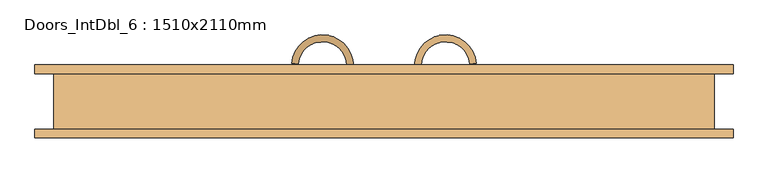
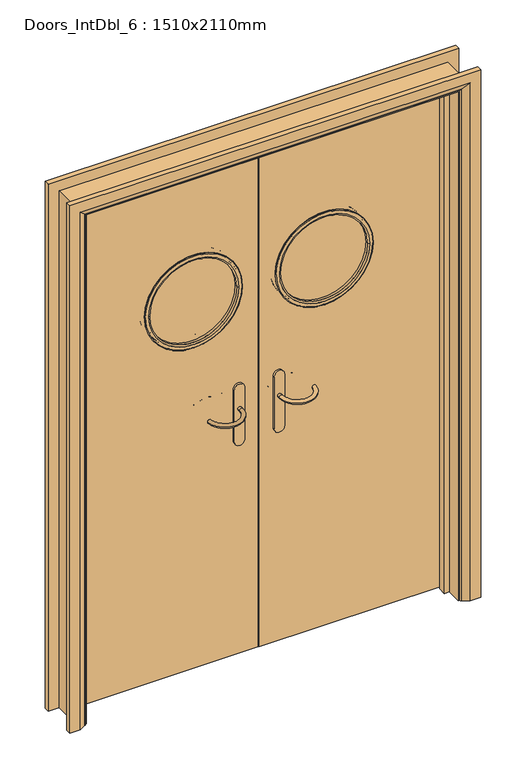
"""IFC4 building model written with IfcOpenShell, lengths in millimetres: door geometry, Doors_IntDbl_6 : 1510x2110mm."""

from ifc_helpers import new_model, si_unit, point, frame, frame_2d, origin, place, context, project, spatial, polyline, circle_curve, ellipse_curve, trimmed, segment, composite_curve, outline, extrude, faceted_brep, source, transform, mapped, element, save
from ifc_brep_helpers import plane_surface, cylinder_surface, revolved_surface, advanced_brep


def doors_intdbl_6_1510x2110mm_a2c7d4a2(model_context):
    return source(origin(), model_context, "Body", "SolidModel", [
        advanced_brep(
        [(69.0, 22.5, 1007.0), (84.0, 22.5, 1007.0), (84.0, 12.5, 1007.0), (69.0, 12.5, 1007.0), (208.9013318, 6.3917759, 1007.0), (193.9584114, 7.6991121, 1007.0)],
        [
            (0, 1, circle_curve(frame((76.5, 22.5, 1007.0), z_axis=(0.0, 1.0, 0.0), x_axis=(1.0, 0.0, 0.0)), 7.5)),
            (1, 0, circle_curve(frame((76.5, 22.5, 1007.0), z_axis=(0.0, 1.0, 0.0), x_axis=(1.0, 0.0, 0.0)), 7.5)),
            (1, 2),
            (2, 3, circle_curve(frame((76.5, 12.5, 1007.0), z_axis=(0.0, 1.0, 0.0), x_axis=(1.0, 0.0, 0.0)), 7.5)),
            (3, 0),
            (3, 2, circle_curve(frame((76.5, 12.5, 1007.0), z_axis=(0.0, 1.0, 0.0), x_axis=(1.0, 0.0, 0.0)), 7.5)),
            (4, 5, circle_curve(frame((201.4298716, 7.045444, 1007.0), z_axis=(0.08715574274766356, 0.9961946980917451, 0.0), x_axis=(-0.9961946980917451, 0.08715574274766356, 0.0)), 7.5)),
            (5, 4, circle_curve(frame((201.4298716, 7.045444, 1007.0), z_axis=(0.08715574274766356, 0.9961946980917451, 0.0), x_axis=(-0.9961946980917451, 0.08715574274766356, 0.0)), 7.5)),
            (4, 3, circle_curve(frame((139.0840113, 12.5, 1007.0), z_axis=(0.0, 0.0, -1.0), x_axis=(-1.0, 0.0, 0.0)), 70.0840113)),
            (2, 5, circle_curve(frame((139.0840113, 12.5, 1007.0), z_axis=(0.0, 0.0, 1.0), x_axis=(-1.0, 0.0, 0.0)), 55.0840113)),
        ],
        [
            plane_surface(frame((76.5, 22.5, 1007.0), z_axis=(0.0, 1.0, 0.0), x_axis=(0.0, 0.0, 1.0))),
            cylinder_surface(frame((76.5, 22.5, 1007.0), z_axis=(0.0, 1.0, 0.0), x_axis=(1.0, 0.0, 0.0)), 7.5),
            plane_surface(frame((201.4298716, 7.045444, 1007.0), z_axis=(0.08715574274766356, 0.9961946980917451, 0.0), x_axis=(0.0, 0.0, 1.0))),
            revolved_surface(trimmed(ellipse_curve(frame((76.5, 12.5, 1007.0), z_axis=(0.0, -1.0, 0.0), x_axis=(1.0, 0.0, 0.0)), 7.5, 7.5), [point((69.0, 12.5, 1007.0))], [point((84.0, 12.5, 1007.0))], True, "CARTESIAN"), (139.0840113, 12.5, 1007.0), (0.0, 0.0, -1.0)),
            revolved_surface(trimmed(ellipse_curve(frame((76.5, 12.5, 1007.0), z_axis=(0.0, -1.0, 0.0), x_axis=(1.0, 0.0, 0.0)), 7.5, 7.5), [point((84.0, 12.5, 1007.0))], [point((69.0, 12.5, 1007.0))], True, "CARTESIAN"), (139.0840113, 12.5, 1007.0), (0.0, 0.0, -1.0)),
        ],
        [
            (0, [[1, 2]]),
            (1, [[3, 4, 5, -2]]),
            (1, [[-5, 6, -3, -1]]),
            (2, [[7, 8]]),
            (3, [[-7, 9, -4, 10]]),
            (4, [[-8, -10, -6, -9]]),
        ],
    ),
        extrude(outline(composite_curve([segment(trimmed(circle_curve(frame_2d((877.0, 76.5)), 20.0), [point((877.0, 56.5))], [point((877.0, 96.5))], False, "CARTESIAN"), True, "CONTINUOUS"), segment(polyline([(877.0, 96.5), (1087.0, 96.5)]), True, "CONTINUOUS"), segment(trimmed(circle_curve(frame_2d((1087.0, 76.5)), 20.0), [point((1087.0, 96.5))], [point((1087.0, 56.5))], False, "CARTESIAN"), True, "CONTINUOUS"), segment(polyline([(1087.0, 56.5), (877.0, 56.5)]), True, "CONTINUOUS")], self_intersect=False)), frame((0.0, 22.5, 0.0), z_axis=(0.0, 1.0, 0.0), x_axis=(0.0, 0.0, 1.0)), (0.0, 0.0, 1.0), 8.0),
        advanced_brep(
        [(-69.0, 22.5, 1007.0), (-84.0, 22.5, 1007.0), (-69.0, 12.5, 1007.0), (-84.0, 12.5, 1007.0), (-208.9013318, 6.3917759, 1007.0), (-193.9584114, 7.6991121, 1007.0)],
        [
            (0, 1, circle_curve(frame((-76.5, 22.5, 1007.0), z_axis=(0.0, 1.0, 0.0), x_axis=(-1.0, 0.0, 0.0)), 7.5)),
            (1, 0, circle_curve(frame((-76.5, 22.5, 1007.0), z_axis=(0.0, 1.0, 0.0), x_axis=(-1.0, 0.0, 0.0)), 7.5)),
            (0, 2),
            (2, 3, circle_curve(frame((-76.5, 12.5, 1007.0), z_axis=(0.0, 1.0, 0.0), x_axis=(-1.0, 0.0, 0.0)), 7.5)),
            (3, 1),
            (3, 2, circle_curve(frame((-76.5, 12.5, 1007.0), z_axis=(0.0, 1.0, 0.0), x_axis=(-1.0, 0.0, 0.0)), 7.5)),
            (4, 5, circle_curve(frame((-201.4298716, 7.045444, 1007.0), z_axis=(-0.08715574274766356, 0.9961946980917451, 0.0), x_axis=(0.9961946980917451, 0.08715574274766356, 0.0)), 7.5)),
            (5, 4, circle_curve(frame((-201.4298716, 7.045444, 1007.0), z_axis=(-0.08715574274766356, 0.9961946980917451, 0.0), x_axis=(0.9961946980917451, 0.08715574274766356, 0.0)), 7.5)),
            (5, 3, circle_curve(frame((-139.0840113, 12.5, 1007.0), z_axis=(0.0, 0.0, 1.0), x_axis=(1.0, 0.0, 0.0)), 55.0840113)),
            (2, 4, circle_curve(frame((-139.0840113, 12.5, 1007.0), z_axis=(0.0, 0.0, -1.0), x_axis=(1.0, 0.0, 0.0)), 70.0840113)),
        ],
        [
            plane_surface(frame((-76.5, 22.5, 1007.0), z_axis=(0.0, 1.0, 0.0), x_axis=(0.0, 0.0, 1.0))),
            cylinder_surface(frame((-76.5, 22.5, 1007.0), z_axis=(0.0, 1.0, 0.0), x_axis=(-1.0, 0.0, 0.0)), 7.5),
            plane_surface(frame((-201.4298716, 7.045444, 1007.0), z_axis=(-0.08715574274766356, 0.9961946980917451, 0.0), x_axis=(0.0, 0.0, 1.0))),
            revolved_surface(trimmed(ellipse_curve(frame((-76.5, 12.5, 1007.0), z_axis=(0.0, 1.0, 0.0), x_axis=(-1.0, 0.0, 0.0)), 7.5, 7.5), [point((-69.0, 12.5, 1007.0))], [point((-84.0, 12.5, 1007.0))], True, "CARTESIAN"), (-139.0840113, 12.5, 1007.0), (0.0, 0.0, -1.0)),
            revolved_surface(trimmed(ellipse_curve(frame((-76.5, 12.5, 1007.0), z_axis=(0.0, 1.0, 0.0), x_axis=(-1.0, 0.0, 0.0)), 7.5, 7.5), [point((-84.0, 12.5, 1007.0))], [point((-69.0, 12.5, 1007.0))], True, "CARTESIAN"), (-139.0840113, 12.5, 1007.0), (0.0, 0.0, -1.0)),
        ],
        [
            (0, [[1, 2]]),
            (1, [[-1, 3, 4, 5]]),
            (1, [[-2, -5, 6, -3]]),
            (2, [[7, 8]]),
            (3, [[9, -4, 10, -8]]),
            (4, [[-10, -6, -9, -7]]),
        ],
    ),
        extrude(outline(composite_curve([segment(polyline([(877.0, -56.5), (1087.0, -56.5)]), True, "CONTINUOUS"), segment(trimmed(circle_curve(frame_2d((1087.0, -76.5)), 20.0), [point((1087.0, -56.5))], [point((1087.0, -96.5))], False, "CARTESIAN"), True, "CONTINUOUS"), segment(polyline([(1087.0, -96.5), (877.0, -96.5)]), True, "CONTINUOUS"), segment(trimmed(circle_curve(frame_2d((877.0, -76.5)), 20.0), [point((877.0, -96.5))], [point((877.0, -56.5))], False, "CARTESIAN"), True, "CONTINUOUS")], self_intersect=False)), frame((0.0, 22.5, 0.0), z_axis=(0.0, 1.0, 0.0), x_axis=(0.0, 0.0, 1.0)), (0.0, 0.0, 1.0), 8.0),
        advanced_brep(
        [(69.0, 70.5, 1007.0), (84.0, 70.5, 1007.0), (69.0, 80.5, 1007.0), (84.0, 80.5, 1007.0), (208.9013318, 86.6082241, 1007.0), (193.9584114, 85.3008879, 1007.0)],
        [
            (0, 1, circle_curve(frame((76.5, 70.5, 1007.0), z_axis=(0.0, -1.0, 0.0), x_axis=(1.0, 0.0, 0.0)), 7.5)),
            (1, 0, circle_curve(frame((76.5, 70.5, 1007.0), z_axis=(0.0, -1.0, 0.0), x_axis=(1.0, 0.0, 0.0)), 7.5)),
            (0, 2),
            (2, 3, circle_curve(frame((76.5, 80.5, 1007.0), z_axis=(0.0, -1.0, 0.0), x_axis=(1.0, 0.0, 0.0)), 7.5)),
            (3, 1),
            (3, 2, circle_curve(frame((76.5, 80.5, 1007.0), z_axis=(0.0, -1.0, 0.0), x_axis=(1.0, 0.0, 0.0)), 7.5)),
            (4, 5, circle_curve(frame((201.4298716, 85.954556, 1007.0), z_axis=(0.08715574274766356, -0.9961946980917451, 0.0), x_axis=(-0.9961946980917451, -0.08715574274766356, 0.0)), 7.5)),
            (5, 4, circle_curve(frame((201.4298716, 85.954556, 1007.0), z_axis=(0.08715574274766356, -0.9961946980917451, 0.0), x_axis=(-0.9961946980917451, -0.08715574274766356, 0.0)), 7.5)),
            (5, 3, circle_curve(frame((139.0840113, 80.5, 1007.0), z_axis=(0.0, 0.0, 1.0), x_axis=(-1.0, 0.0, 0.0)), 55.0840113)),
            (2, 4, circle_curve(frame((139.0840113, 80.5, 1007.0), z_axis=(0.0, 0.0, -1.0), x_axis=(-1.0, 0.0, 0.0)), 70.0840113)),
        ],
        [
            plane_surface(frame((76.5, 70.5, 1007.0), z_axis=(0.0, -1.0, 0.0), x_axis=(0.0, 0.0, 1.0))),
            cylinder_surface(frame((76.5, 70.5, 1007.0), z_axis=(0.0, -1.0, 0.0), x_axis=(1.0, 0.0, 0.0)), 7.5),
            plane_surface(frame((201.4298716, 85.954556, 1007.0), z_axis=(0.08715574274766356, -0.9961946980917451, 0.0), x_axis=(0.0, 0.0, 1.0))),
            revolved_surface(trimmed(ellipse_curve(frame((76.5, 80.5, 1007.0), z_axis=(0.0, -1.0, 0.0), x_axis=(1.0, 0.0, 0.0)), 7.5, 7.5), [point((69.0, 80.5, 1007.0))], [point((84.0, 80.5, 1007.0))], True, "CARTESIAN"), (139.0840113, 80.5, 1007.0), (0.0, 0.0, -1.0)),
            revolved_surface(trimmed(ellipse_curve(frame((76.5, 80.5, 1007.0), z_axis=(0.0, -1.0, 0.0), x_axis=(1.0, 0.0, 0.0)), 7.5, 7.5), [point((84.0, 80.5, 1007.0))], [point((69.0, 80.5, 1007.0))], True, "CARTESIAN"), (139.0840113, 80.5, 1007.0), (0.0, 0.0, -1.0)),
        ],
        [
            (0, [[1, 2]]),
            (1, [[-1, 3, 4, 5]]),
            (1, [[-2, -5, 6, -3]]),
            (2, [[7, 8]]),
            (3, [[9, -4, 10, -8]]),
            (4, [[-10, -6, -9, -7]]),
        ],
    ),
        extrude(outline(composite_curve([segment(trimmed(circle_curve(frame_2d((877.0, 76.5)), 20.0), [point((877.0, 56.5))], [point((877.0, 96.5))], False, "CARTESIAN"), True, "CONTINUOUS"), segment(polyline([(877.0, 96.5), (1087.0, 96.5)]), True, "CONTINUOUS"), segment(trimmed(circle_curve(frame_2d((1087.0, 76.5)), 20.0), [point((1087.0, 96.5))], [point((1087.0, 56.5))], False, "CARTESIAN"), True, "CONTINUOUS"), segment(polyline([(1087.0, 56.5), (877.0, 56.5)]), True, "CONTINUOUS")], self_intersect=False)), frame((0.0, 62.5, 0.0), z_axis=(0.0, 1.0, 0.0), x_axis=(0.0, 0.0, 1.0)), (0.0, 0.0, 1.0), 8.0),
        advanced_brep(
        [(-69.0, 70.5, 1007.0), (-84.0, 70.5, 1007.0), (-84.0, 80.5, 1007.0), (-69.0, 80.5, 1007.0), (-208.9013318, 86.6082241, 1007.0), (-193.9584114, 85.3008879, 1007.0)],
        [
            (0, 1, circle_curve(frame((-76.5, 70.5, 1007.0), z_axis=(0.0, -1.0, 0.0), x_axis=(-1.0, 0.0, 0.0)), 7.5)),
            (1, 0, circle_curve(frame((-76.5, 70.5, 1007.0), z_axis=(0.0, -1.0, 0.0), x_axis=(-1.0, 0.0, 0.0)), 7.5)),
            (1, 2),
            (2, 3, circle_curve(frame((-76.5, 80.5, 1007.0), z_axis=(0.0, -1.0, 0.0), x_axis=(-1.0, 0.0, 0.0)), 7.5)),
            (3, 0),
            (3, 2, circle_curve(frame((-76.5, 80.5, 1007.0), z_axis=(0.0, -1.0, 0.0), x_axis=(-1.0, 0.0, 0.0)), 7.5)),
            (4, 5, circle_curve(frame((-201.4298716, 85.954556, 1007.0), z_axis=(-0.08715574274766356, -0.9961946980917451, 0.0), x_axis=(0.9961946980917451, -0.08715574274766356, 0.0)), 7.5)),
            (5, 4, circle_curve(frame((-201.4298716, 85.954556, 1007.0), z_axis=(-0.08715574274766356, -0.9961946980917451, 0.0), x_axis=(0.9961946980917451, -0.08715574274766356, 0.0)), 7.5)),
            (4, 3, circle_curve(frame((-139.0840113, 80.5, 1007.0), z_axis=(0.0, 0.0, -1.0), x_axis=(1.0, 0.0, 0.0)), 70.0840113)),
            (2, 5, circle_curve(frame((-139.0840113, 80.5, 1007.0), z_axis=(0.0, 0.0, 1.0), x_axis=(1.0, 0.0, 0.0)), 55.0840113)),
        ],
        [
            plane_surface(frame((-76.5, 70.5, 1007.0), z_axis=(0.0, -1.0, 0.0), x_axis=(0.0, 0.0, 1.0))),
            cylinder_surface(frame((-76.5, 70.5, 1007.0), z_axis=(0.0, -1.0, 0.0), x_axis=(-1.0, 0.0, 0.0)), 7.5),
            plane_surface(frame((-201.4298716, 85.954556, 1007.0), z_axis=(-0.08715574274766356, -0.9961946980917451, 0.0), x_axis=(0.0, 0.0, 1.0))),
            revolved_surface(trimmed(ellipse_curve(frame((-76.5, 80.5, 1007.0), z_axis=(0.0, 1.0, 0.0), x_axis=(-1.0, 0.0, 0.0)), 7.5, 7.5), [point((-69.0, 80.5, 1007.0))], [point((-84.0, 80.5, 1007.0))], True, "CARTESIAN"), (-139.0840113, 80.5, 1007.0), (0.0, 0.0, -1.0)),
            revolved_surface(trimmed(ellipse_curve(frame((-76.5, 80.5, 1007.0), z_axis=(0.0, 1.0, 0.0), x_axis=(-1.0, 0.0, 0.0)), 7.5, 7.5), [point((-84.0, 80.5, 1007.0))], [point((-69.0, 80.5, 1007.0))], True, "CARTESIAN"), (-139.0840113, 80.5, 1007.0), (0.0, 0.0, -1.0)),
        ],
        [
            (0, [[1, 2]]),
            (1, [[3, 4, 5, -2]]),
            (1, [[-5, 6, -3, -1]]),
            (2, [[7, 8]]),
            (3, [[-7, 9, -4, 10]]),
            (4, [[-8, -10, -6, -9]]),
        ],
    ),
        extrude(outline(composite_curve([segment(polyline([(877.0, -56.5), (1087.0, -56.5)]), True, "CONTINUOUS"), segment(trimmed(circle_curve(frame_2d((1087.0, -76.5)), 20.0), [point((1087.0, -56.5))], [point((1087.0, -96.5))], False, "CARTESIAN"), True, "CONTINUOUS"), segment(polyline([(1087.0, -96.5), (877.0, -96.5)]), True, "CONTINUOUS"), segment(trimmed(circle_curve(frame_2d((877.0, -76.5)), 20.0), [point((877.0, -96.5))], [point((877.0, -56.5))], False, "CARTESIAN"), True, "CONTINUOUS")], self_intersect=False)), frame((0.0, 62.5, 0.0), z_axis=(0.0, 1.0, 0.0), x_axis=(0.0, 0.0, 1.0)), (0.0, 0.0, 1.0), 8.0),
        extrude(outline(polyline([(2102.0, -747.0), (0.0, -747.0), (0.0, -715.0), (2070.0, -715.0), (2070.0, 715.0), (0.0, 715.0), (0.0, 747.0), (2102.0, 747.0), (2102.0, -747.0)])), frame((0.0, -62.5, 0.0), z_axis=(0.0, 1.0, 0.0), x_axis=(0.0, 0.0, 1.0)), (0.0, 0.0, 1.0), 125.0),
        faceted_brep([(-696.0, 27.5, 0.0), (-696.0, -4.5, 0.0), (-715.0, -4.5, 0.0), (-715.0, 27.5, 0.0), (-696.0, 27.5, 2051.0), (-696.0, -4.5, 2051.0), (-715.0, -4.5, 2070.0), (-715.0, 27.5, 2070.0), (696.0, 27.5, 0.0), (715.0, 27.5, 0.0), (715.0, -4.5, 0.0), (696.0, -4.5, 0.0), (696.0, 27.5, 2051.0), (715.0, 27.5, 2070.0), (715.0, -4.5, 2070.0), (696.0, -4.5, 2051.0)], [[[0, 1, 2, 3]], [[1, 0, 4, 5]], [[2, 1, 5, 6]], [[3, 2, 6, 7]], [[0, 3, 7, 4]], [[8, 9, 10, 11]], [[12, 13, 9, 8]], [[13, 14, 10, 9]], [[14, 15, 11, 10]], [[15, 12, 8, 11]], [[5, 4, 12, 15]], [[6, 5, 15, 14]], [[7, 6, 14, 13]], [[4, 7, 13, 12]]]),
        advanced_brep(
        [(790.0, 82.5, 0.0), (790.0, 62.5, 0.0), (720.0, 62.5, 0.0), (724.0, 68.5, 0.0), (750.0, 82.5, 0.0), (790.0, 82.5, 2145.0), (790.0, 62.5, 2145.0), (-790.0, 62.5, 2145.0), (-790.0, 62.5, 0.0), (-720.0, 62.5, 0.0), (-720.0, 62.5, 2075.0), (720.0, 62.5, 2075.0), (724.0, 68.5, 2079.0), (750.0, 82.5, 2105.0), (-750.0, 82.5, 2105.0), (-750.0, 82.5, 0.0), (-790.0, 82.5, 0.0), (-790.0, 82.5, 2145.0), (-724.0, 68.5, 0.0), (-724.0, 68.5, 2079.0)],
        [
            (0, 1),
            (1, 2),
            (2, 3, circle_curve(frame((728.0, 61.5, 0.0), z_axis=(0.0, 0.0, -1.0), x_axis=(1.0, 0.0, 0.0)), 8.0622577)),
            (3, 4),
            (4, 0),
            (0, 5),
            (5, 6),
            (6, 1),
            (6, 7),
            (7, 8),
            (8, 9),
            (9, 10),
            (10, 11),
            (11, 2),
            (11, 12, ellipse_curve(frame((728.0, 61.5, 2083.0), z_axis=(0.7071067811865475, 0.0, -0.7071067811865475), x_axis=(-0.7071067811865474, 0.0, -0.7071067811865476)), 11.4017543, 8.0622577)),
            (12, 3),
            (12, 13),
            (13, 4),
            (13, 14),
            (14, 15),
            (15, 16),
            (16, 17),
            (17, 5),
            (7, 17),
            (16, 8),
            (15, 18),
            (18, 9, circle_curve(frame((-728.0, 61.5, 0.0), z_axis=(0.0, 0.0, -1.0), x_axis=(-1.0, 0.0, 0.0)), 8.0622577)),
            (19, 10, ellipse_curve(frame((-728.0, 61.5, 2083.0), z_axis=(-0.7071067811865475, 0.0, -0.7071067811865475), x_axis=(-0.7071067811865474, 0.0, 0.7071067811865476)), 11.4017543, 8.0622577)),
            (18, 19),
            (14, 19),
            (19, 12),
        ],
        [
            plane_surface(frame((720.0, 62.5, 0.0), z_axis=(0.0, 0.0, -1.0), x_axis=(0.0, -1.0, 0.0))),
            plane_surface(frame((790.0, 82.5, 0.0), z_axis=(1.0, 0.0, 0.0), x_axis=(0.0, 0.0, 1.0))),
            plane_surface(frame((790.0, 62.5, 0.0), z_axis=(0.0, -1.0, 0.0), x_axis=(0.0, 0.0, 1.0))),
            cylinder_surface(frame((728.0, 61.5, 0.0), z_axis=(0.0, 0.0, -1.0), x_axis=(1.0, 0.0, 0.0)), 8.0622577),
            plane_surface(frame((724.0, 68.5, 0.0), z_axis=(-0.4740998230350126, 0.8804710999221779, 0.0), x_axis=(0.0, 0.0, 1.0))),
            plane_surface(frame((750.0, 82.5, 0.0), z_axis=(0.0, 1.0, 0.0), x_axis=(0.0, 0.0, 1.0))),
            plane_surface(frame((-790.0, 82.5, 2145.0), z_axis=(-1.0, 0.0, 0.0), x_axis=(0.0, 0.0, -1.0))),
            plane_surface(frame((-720.0, 62.5, 0.0), z_axis=(0.0, 0.0, -1.0), x_axis=(0.0, -1.0, 0.0))),
            cylinder_surface(frame((-728.0, 61.5, 2075.0), z_axis=(0.0, 0.0, 1.0), x_axis=(-1.0, 0.0, 0.0)), 8.0622577),
            plane_surface(frame((-724.0, 68.5, 2079.0), z_axis=(0.4740998230350183, 0.8804710999221749, 0.0), x_axis=(0.0, 0.0, -1.0))),
            plane_surface(frame((790.0, 82.5, 2145.0), z_axis=(0.0, 0.0, 1.0), x_axis=(-1.0, 0.0, 0.0))),
            cylinder_surface(frame((720.0, 61.5, 2083.0), z_axis=(1.0, 0.0, 0.0), x_axis=(0.0, 0.0, 1.0)), 8.0622577),
            plane_surface(frame((724.0, 68.5, 2079.0), z_axis=(0.0, 0.8804710999221763, -0.4740998230350154), x_axis=(-1.0, 0.0, 0.0))),
        ],
        [
            (0, [[1, 2, 3, 4, 5]]),
            (1, [[-1, 6, 7, 8]]),
            (2, [[-2, -8, 9, 10, 11, 12, 13, 14]]),
            (3, [[-3, -14, 15, 16]]),
            (4, [[-4, -16, 17, 18]]),
            (5, [[-5, -18, 19, 20, 21, 22, 23, -6]]),
            (6, [[24, -22, 25, -10]]),
            (7, [[-21, 26, 27, -11, -25]]),
            (8, [[28, -12, -27, 29]]),
            (9, [[30, -29, -26, -20]]),
            (10, [[-7, -23, -24, -9]]),
            (11, [[-15, -13, -28, 31]]),
            (12, [[-17, -31, -30, -19]]),
        ],
    ),
        advanced_brep(
        [(-790.0, -82.5, 0.0), (-790.0, -62.5, 0.0), (-720.0, -62.5, 0.0), (-724.0, -68.5, 0.0), (-750.0, -82.5, 0.0), (-790.0, -82.5, 2145.0), (-790.0, -62.5, 2145.0), (790.0, -62.5, 2145.0), (790.0, -62.5, 0.0), (720.0, -62.5, 0.0), (720.0, -62.5, 2075.0), (-720.0, -62.5, 2075.0), (-724.0, -68.5, 2079.0), (-750.0, -82.5, 2105.0), (750.0, -82.5, 2105.0), (750.0, -82.5, 0.0), (790.0, -82.5, 0.0), (790.0, -82.5, 2145.0), (724.0, -68.5, 0.0), (724.0, -68.5, 2079.0)],
        [
            (0, 1),
            (1, 2),
            (2, 3, circle_curve(frame((-728.0, -61.5, 0.0), z_axis=(0.0, 0.0, -1.0), x_axis=(-1.0, 0.0, 0.0)), 8.0622577)),
            (3, 4),
            (4, 0),
            (0, 5),
            (5, 6),
            (6, 1),
            (6, 7),
            (7, 8),
            (8, 9),
            (9, 10),
            (10, 11),
            (11, 2),
            (11, 12, ellipse_curve(frame((-728.0, -61.5, 2083.0), z_axis=(-0.7071067811865475, 0.0, -0.7071067811865475), x_axis=(0.7071067811865474, 0.0, -0.7071067811865476)), 11.4017543, 8.0622577)),
            (12, 3),
            (12, 13),
            (13, 4),
            (13, 14),
            (14, 15),
            (15, 16),
            (16, 17),
            (17, 5),
            (7, 17),
            (16, 8),
            (15, 18),
            (18, 9, circle_curve(frame((728.0, -61.5, 0.0), z_axis=(0.0, 0.0, -1.0), x_axis=(1.0, 0.0, 0.0)), 8.0622577)),
            (19, 10, ellipse_curve(frame((728.0, -61.5, 2083.0), z_axis=(0.7071067811865475, 0.0, -0.7071067811865475), x_axis=(0.7071067811865474, 0.0, 0.7071067811865476)), 11.4017543, 8.0622577)),
            (18, 19),
            (14, 19),
            (19, 12),
        ],
        [
            plane_surface(frame((-720.0, -62.5, 0.0), z_axis=(0.0, 0.0, -1.0), x_axis=(0.0, -1.0, 0.0))),
            plane_surface(frame((-790.0, -82.5, 0.0), z_axis=(-1.0, 0.0, 0.0), x_axis=(0.0, 0.0, 1.0))),
            plane_surface(frame((-790.0, -62.5, 0.0), z_axis=(0.0, 1.0, 0.0), x_axis=(0.0, 0.0, 1.0))),
            cylinder_surface(frame((-728.0, -61.5, 0.0), z_axis=(0.0, 0.0, -1.0), x_axis=(-1.0, 0.0, 0.0)), 8.0622577),
            plane_surface(frame((-724.0, -68.5, 0.0), z_axis=(0.4740998230350183, -0.8804710999221749, 0.0), x_axis=(0.0, 0.0, 1.0))),
            plane_surface(frame((-750.0, -82.5, 0.0), z_axis=(0.0, -1.0, 0.0), x_axis=(0.0, 0.0, 1.0))),
            plane_surface(frame((790.0, -82.5, 2145.0), z_axis=(1.0, 0.0, 0.0), x_axis=(0.0, 0.0, -1.0))),
            plane_surface(frame((720.0, -62.5, 0.0), z_axis=(0.0, 0.0, -1.0), x_axis=(0.0, -1.0, 0.0))),
            cylinder_surface(frame((728.0, -61.5, 2075.0), z_axis=(0.0, 0.0, 1.0), x_axis=(1.0, 0.0, 0.0)), 8.0622577),
            plane_surface(frame((724.0, -68.5, 2079.0), z_axis=(-0.4740998230350183, -0.8804710999221749, 0.0), x_axis=(0.0, 0.0, -1.0))),
            plane_surface(frame((-790.0, -82.5, 2145.0), z_axis=(0.0, 0.0, 1.0), x_axis=(1.0, 0.0, 0.0))),
            cylinder_surface(frame((-720.0, -61.5, 2083.0), z_axis=(-1.0, 0.0, 0.0), x_axis=(0.0, 0.0, 1.0)), 8.0622577),
            plane_surface(frame((-724.0, -68.5, 2079.0), z_axis=(0.0, -0.8804710999221749, -0.4740998230350183), x_axis=(1.0, 0.0, 0.0))),
        ],
        [
            (0, [[1, 2, 3, 4, 5]]),
            (1, [[-1, 6, 7, 8]]),
            (2, [[-2, -8, 9, 10, 11, 12, 13, 14]]),
            (3, [[-3, -14, 15, 16]]),
            (4, [[-4, -16, 17, 18]]),
            (5, [[-5, -18, 19, 20, 21, 22, 23, -6]]),
            (6, [[24, -22, 25, -10]]),
            (7, [[-21, 26, 27, -11, -25]]),
            (8, [[28, -12, -27, 29]]),
            (9, [[30, -29, -26, -20]]),
            (10, [[-7, -23, -24, -9]]),
            (11, [[-15, -13, -28, 31]]),
            (12, [[-17, -31, -30, -19]]),
        ],
    ),
        extrude(outline(polyline([(5.753223, 712.0), (2067.0, 712.0), (2067.0, 1.5), (5.753223, 1.5), (5.753223, 712.0)]), holes=[composite_curve([segment(trimmed(circle_curve(frame_2d((1500.0, 251.5)), 180.0), [point((1500.0, 71.5))], [point((1500.0, 431.5))], True, "CARTESIAN"), True, "CONTINUOUS"), segment(trimmed(circle_curve(frame_2d((1500.0, 251.5)), 180.0), [point((1500.0, 431.5))], [point((1500.0, 71.5))], True, "CARTESIAN"), True, "CONTINUOUS")], self_intersect=False)]), frame((0.0, 30.5, 0.0), z_axis=(0.0, 1.0, 0.0), x_axis=(0.0, 0.0, 1.0)), (0.0, 0.0, 1.0), 32.0),
        extrude(outline(polyline([(5.753223, -712.0), (5.753223, -1.5), (2067.0, -1.5), (2067.0, -712.0), (5.753223, -712.0)]), holes=[composite_curve([segment(trimmed(circle_curve(frame_2d((1500.0, -251.5)), 180.0), [point((1500.0, -431.5))], [point((1500.0, -71.5))], True, "CARTESIAN"), True, "CONTINUOUS"), segment(trimmed(circle_curve(frame_2d((1500.0, -251.5)), 180.0), [point((1500.0, -71.5))], [point((1500.0, -431.5))], True, "CARTESIAN"), True, "CONTINUOUS")], self_intersect=False)]), frame((0.0, 30.5, 0.0), z_axis=(0.0, 1.0, 0.0), x_axis=(0.0, 0.0, 1.0)), (0.0, 0.0, 1.0), 32.0),
        extrude(outline(composite_curve([segment(trimmed(circle_curve(frame_2d((1500.0, 251.5)), 180.0), [point((1500.0, 431.5))], [point((1500.0, 71.5))], False, "CARTESIAN"), True, "CONTINUOUS"), segment(trimmed(circle_curve(frame_2d((1500.0, 251.5)), 180.0), [point((1500.0, 71.5))], [point((1500.0, 431.5))], False, "CARTESIAN"), True, "CONTINUOUS")], self_intersect=False)), frame((0.0, 40.5, 0.0), z_axis=(0.0, 1.0, 0.0), x_axis=(0.0, 0.0, 1.0)), (0.0, 0.0, 1.0), 12.0),
        extrude(outline(composite_curve([segment(trimmed(circle_curve(frame_2d((1500.0, -251.5)), 180.0), [point((1500.0, -71.5))], [point((1500.0, -431.5))], False, "CARTESIAN"), True, "CONTINUOUS"), segment(trimmed(circle_curve(frame_2d((1500.0, -251.5)), 180.0), [point((1500.0, -431.5))], [point((1500.0, -71.5))], False, "CARTESIAN"), True, "CONTINUOUS")], self_intersect=False)), frame((0.0, 40.5, 0.0), z_axis=(0.0, 1.0, 0.0), x_axis=(0.0, 0.0, 1.0)), (0.0, 0.0, 1.0), 12.0),
        advanced_brep(
        [(-439.5, 66.5, 1500.0), (-63.5, 66.5, 1500.0), (-63.5, 62.5, 1500.0), (-439.5, 62.5, 1500.0), (-437.5, 68.5, 1500.0), (-65.5, 68.5, 1500.0), (-419.5, 63.5, 1500.0), (-83.5, 63.5, 1500.0), (-78.5, 68.5, 1500.0), (-424.5, 68.5, 1500.0), (-419.5, 52.5, 1500.0), (-83.5, 52.5, 1500.0), (-431.5, 62.5, 1500.0), (-71.5, 62.5, 1500.0), (-71.5, 52.5, 1500.0), (-431.5, 52.5, 1500.0)],
        [
            (0, 1, circle_curve(frame((-251.5, 66.5, 1500.0), z_axis=(0.0, -1.0, 0.0), x_axis=(1.0, 0.0, 0.0)), 188.0)),
            (1, 2),
            (2, 3, circle_curve(frame((-251.5, 62.5, 1500.0), z_axis=(0.0, 1.0, 0.0), x_axis=(1.0, 0.0, 0.0)), 188.0)),
            (3, 0),
            (4, 5, circle_curve(frame((-251.5, 68.5, 1500.0), z_axis=(0.0, -1.0, 0.0), x_axis=(1.0, 0.0, 0.0)), 186.0)),
            (5, 1, circle_curve(frame((-65.5, 66.5, 1500.0), z_axis=(0.0, 0.0, -1.0), x_axis=(1.0, 0.0, 0.0)), 2.0)),
            (0, 4, circle_curve(frame((-437.5, 66.5, 1500.0), z_axis=(0.0, 0.0, -1.0), x_axis=(-1.0, 0.0, 0.0)), 2.0)),
            (6, 7, circle_curve(frame((-251.5, 63.5, 1500.0), z_axis=(0.0, -1.0, 0.0), x_axis=(1.0, 0.0, 0.0)), 168.0)),
            (7, 8, circle_curve(frame((-78.5, 63.5, 1500.0), z_axis=(0.0, 0.0, -1.0), x_axis=(1.0, 0.0, 0.0)), 5.0)),
            (8, 9, circle_curve(frame((-251.5, 68.5, 1500.0), z_axis=(0.0, 1.0, 0.0), x_axis=(1.0, 0.0, 0.0)), 173.0)),
            (9, 6, circle_curve(frame((-424.5, 63.5, 1500.0), z_axis=(0.0, 0.0, -1.0), x_axis=(-1.0, 0.0, 0.0)), 5.0)),
            (10, 11, circle_curve(frame((-251.5, 52.5, 1500.0), z_axis=(0.0, -1.0, 0.0), x_axis=(1.0, 0.0, 0.0)), 168.0)),
            (11, 7),
            (6, 10),
            (12, 13, circle_curve(frame((-251.5, 62.5, 1500.0), z_axis=(0.0, -1.0, 0.0), x_axis=(1.0, 0.0, 0.0)), 180.0)),
            (13, 14),
            (14, 15, circle_curve(frame((-251.5, 52.5, 1500.0), z_axis=(0.0, 1.0, 0.0), x_axis=(1.0, 0.0, 0.0)), 180.0)),
            (15, 12),
            (1, 0, circle_curve(frame((-251.5, 66.5, 1500.0), z_axis=(0.0, -1.0, 0.0), x_axis=(-1.0, 0.0, 0.0)), 188.0)),
            (3, 2, circle_curve(frame((-251.5, 62.5, 1500.0), z_axis=(0.0, 1.0, 0.0), x_axis=(-1.0, 0.0, 0.0)), 188.0)),
            (5, 4, circle_curve(frame((-251.5, 68.5, 1500.0), z_axis=(0.0, -1.0, 0.0), x_axis=(-1.0, 0.0, 0.0)), 186.0)),
            (8, 9, circle_curve(frame((-251.5, 68.5, 1500.0), z_axis=(0.0, -1.0, 0.0), x_axis=(-1.0, 0.0, 0.0)), 173.0)),
            (7, 6, circle_curve(frame((-251.5, 63.5, 1500.0), z_axis=(0.0, -1.0, 0.0), x_axis=(-1.0, 0.0, 0.0)), 168.0)),
            (11, 10, circle_curve(frame((-251.5, 52.5, 1500.0), z_axis=(0.0, -1.0, 0.0), x_axis=(-1.0, 0.0, 0.0)), 168.0)),
            (14, 15, circle_curve(frame((-251.5, 52.5, 1500.0), z_axis=(0.0, -1.0, 0.0), x_axis=(-1.0, 0.0, 0.0)), 180.0)),
            (13, 12, circle_curve(frame((-251.5, 62.5, 1500.0), z_axis=(0.0, -1.0, 0.0), x_axis=(-1.0, 0.0, 0.0)), 180.0)),
        ],
        [
            cylinder_surface(frame((-251.5, 62.5, 1500.0), z_axis=(0.0, 1.0, 0.0), x_axis=(1.0, 0.0, 0.0)), 188.0),
            revolved_surface(trimmed(ellipse_curve(frame((-65.5, 66.5, 1500.0), z_axis=(0.0, 0.0, 1.0), x_axis=(1.0, 0.0, 0.0)), 2.0, 2.0), [point((-63.5, 66.5, 1500.0))], [point((-65.5, 68.5, 1500.0))], True, "CARTESIAN"), (-251.5, 62.5, 1500.0), (0.0, 1.0, 0.0)),
            revolved_surface(trimmed(ellipse_curve(frame((-78.5, 63.5, 1500.0), z_axis=(0.0, 0.0, 1.0), x_axis=(1.0, 0.0, 0.0)), 5.0, 5.0), [point((-78.5, 68.5, 1500.0))], [point((-83.5, 63.5, 1500.0))], True, "CARTESIAN"), (-251.5, 62.5, 1500.0), (0.0, 1.0, 0.0)),
            revolved_surface(polyline([(-83.5, 63.5, 1500.0), (-83.5, 52.5, 1500.0)]), (-251.5, 62.5, 1500.0), (0.0, 1.0, 0.0)),
            cylinder_surface(frame((-251.5, 62.5, 1500.0), z_axis=(0.0, 1.0, 0.0), x_axis=(1.0, 0.0, 0.0)), 180.0),
            cylinder_surface(frame((-251.5, 62.5, 1500.0), z_axis=(0.0, 1.0, 0.0), x_axis=(-1.0, 0.0, 0.0)), 188.0),
            revolved_surface(trimmed(ellipse_curve(frame((-437.5, 66.5, 1500.0), z_axis=(0.0, 0.0, -1.0), x_axis=(-1.0, 0.0, 0.0)), 2.0, 2.0), [point((-439.5, 66.5, 1500.0))], [point((-437.5, 68.5, 1500.0))], True, "CARTESIAN"), (-251.5, 62.5, 1500.0), (0.0, 1.0, 0.0)),
            plane_surface(frame((-251.5, 68.5, 1500.0), z_axis=(0.0, 1.0, 0.0), x_axis=(-1.0, 0.0, 0.0))),
            revolved_surface(trimmed(ellipse_curve(frame((-424.5, 63.5, 1500.0), z_axis=(0.0, 0.0, -1.0), x_axis=(-1.0, 0.0, 0.0)), 5.0, 5.0), [point((-424.5, 68.5, 1500.0))], [point((-419.5, 63.5, 1500.0))], True, "CARTESIAN"), (-251.5, 62.5, 1500.0), (0.0, 1.0, 0.0)),
            revolved_surface(polyline([(-419.5, 63.5, 1500.0), (-419.5, 52.5, 1500.0)]), (-251.5, 62.5, 1500.0), (0.0, 1.0, 0.0)),
            plane_surface(frame((-251.5, 52.5, 1500.0), z_axis=(0.0, -1.0, 0.0), x_axis=(-1.0, 0.0, 0.0))),
            cylinder_surface(frame((-251.5, 62.5, 1500.0), z_axis=(0.0, 1.0, 0.0), x_axis=(-1.0, 0.0, 0.0)), 180.0),
            plane_surface(frame((-251.5, 62.5, 1500.0), z_axis=(0.0, -1.0, 0.0), x_axis=(-1.0, 0.0, 0.0))),
        ],
        [
            (0, [[1, 2, 3, 4]]),
            (1, [[5, 6, -1, 7]]),
            (2, [[8, 9, 10, 11]]),
            (3, [[12, 13, -8, 14]]),
            (4, [[15, 16, 17, 18]]),
            (5, [[19, -4, 20, -2]]),
            (6, [[21, -7, -19, -6]]),
            (7, [[-21, -5], [22, -10]]),
            (8, [[23, -11, -22, -9]]),
            (9, [[24, -14, -23, -13]]),
            (10, [[25, -17], [-24, -12]]),
            (11, [[26, -18, -25, -16]]),
            (12, [[-20, -3], [-26, -15]]),
        ],
    ),
        advanced_brep(
        [(63.5, 66.5, 1500.0), (439.5, 66.5, 1500.0), (439.5, 62.5, 1500.0), (63.5, 62.5, 1500.0), (65.5, 68.5, 1500.0), (437.5, 68.5, 1500.0), (83.5, 63.5, 1500.0), (419.5, 63.5, 1500.0), (424.5, 68.5, 1500.0), (78.5, 68.5, 1500.0), (83.5, 52.5, 1500.0), (419.5, 52.5, 1500.0), (71.5, 62.5, 1500.0), (431.5, 62.5, 1500.0), (431.5, 52.5, 1500.0), (71.5, 52.5, 1500.0)],
        [
            (0, 1, circle_curve(frame((251.5, 66.5, 1500.0), z_axis=(0.0, -1.0, 0.0), x_axis=(1.0, 0.0, 0.0)), 188.0)),
            (1, 2),
            (2, 3, circle_curve(frame((251.5, 62.5, 1500.0), z_axis=(0.0, 1.0, 0.0), x_axis=(1.0, 0.0, 0.0)), 188.0)),
            (3, 0),
            (4, 5, circle_curve(frame((251.5, 68.5, 1500.0), z_axis=(0.0, -1.0, 0.0), x_axis=(1.0, 0.0, 0.0)), 186.0)),
            (5, 1, circle_curve(frame((437.5, 66.5, 1500.0), z_axis=(0.0, 0.0, -1.0), x_axis=(1.0, 0.0, 0.0)), 2.0)),
            (0, 4, circle_curve(frame((65.5, 66.5, 1500.0), z_axis=(0.0, 0.0, -1.0), x_axis=(-1.0, 0.0, 0.0)), 2.0)),
            (6, 7, circle_curve(frame((251.5, 63.5, 1500.0), z_axis=(0.0, -1.0, 0.0), x_axis=(1.0, 0.0, 0.0)), 168.0)),
            (7, 8, circle_curve(frame((424.5, 63.5, 1500.0), z_axis=(0.0, 0.0, -1.0), x_axis=(1.0, 0.0, 0.0)), 5.0)),
            (8, 9, circle_curve(frame((251.5, 68.5, 1500.0), z_axis=(0.0, 1.0, 0.0), x_axis=(1.0, 0.0, 0.0)), 173.0)),
            (9, 6, circle_curve(frame((78.5, 63.5, 1500.0), z_axis=(0.0, 0.0, -1.0), x_axis=(-1.0, 0.0, 0.0)), 5.0)),
            (10, 11, circle_curve(frame((251.5, 52.5, 1500.0), z_axis=(0.0, -1.0, 0.0), x_axis=(1.0, 0.0, 0.0)), 168.0)),
            (11, 7),
            (6, 10),
            (12, 13, circle_curve(frame((251.5, 62.5, 1500.0), z_axis=(0.0, -1.0, 0.0), x_axis=(1.0, 0.0, 0.0)), 180.0)),
            (13, 14),
            (14, 15, circle_curve(frame((251.5, 52.5, 1500.0), z_axis=(0.0, 1.0, 0.0), x_axis=(1.0, 0.0, 0.0)), 180.0)),
            (15, 12),
            (1, 0, circle_curve(frame((251.5, 66.5, 1500.0), z_axis=(0.0, -1.0, 0.0), x_axis=(-1.0, 0.0, 0.0)), 188.0)),
            (3, 2, circle_curve(frame((251.5, 62.5, 1500.0), z_axis=(0.0, 1.0, 0.0), x_axis=(-1.0, 0.0, 0.0)), 188.0)),
            (5, 4, circle_curve(frame((251.5, 68.5, 1500.0), z_axis=(0.0, -1.0, 0.0), x_axis=(-1.0, 0.0, 0.0)), 186.0)),
            (8, 9, circle_curve(frame((251.5, 68.5, 1500.0), z_axis=(0.0, -1.0, 0.0), x_axis=(-1.0, 0.0, 0.0)), 173.0)),
            (7, 6, circle_curve(frame((251.5, 63.5, 1500.0), z_axis=(0.0, -1.0, 0.0), x_axis=(-1.0, 0.0, 0.0)), 168.0)),
            (11, 10, circle_curve(frame((251.5, 52.5, 1500.0), z_axis=(0.0, -1.0, 0.0), x_axis=(-1.0, 0.0, 0.0)), 168.0)),
            (14, 15, circle_curve(frame((251.5, 52.5, 1500.0), z_axis=(0.0, -1.0, 0.0), x_axis=(-1.0, 0.0, 0.0)), 180.0)),
            (13, 12, circle_curve(frame((251.5, 62.5, 1500.0), z_axis=(0.0, -1.0, 0.0), x_axis=(-1.0, 0.0, 0.0)), 180.0)),
        ],
        [
            cylinder_surface(frame((251.5, 62.5, 1500.0), z_axis=(0.0, 1.0, 0.0), x_axis=(1.0, 0.0, 0.0)), 188.0),
            revolved_surface(trimmed(ellipse_curve(frame((437.5, 66.5, 1500.0), z_axis=(0.0, 0.0, 1.0), x_axis=(1.0, 0.0, 0.0)), 2.0, 2.0), [point((439.5, 66.5, 1500.0))], [point((437.5, 68.5, 1500.0))], True, "CARTESIAN"), (251.5, 62.5, 1500.0), (0.0, 1.0, 0.0)),
            revolved_surface(trimmed(ellipse_curve(frame((424.5, 63.5, 1500.0), z_axis=(0.0, 0.0, 1.0), x_axis=(1.0, 0.0, 0.0)), 5.0, 5.0), [point((424.5, 68.5, 1500.0))], [point((419.5, 63.5, 1500.0))], True, "CARTESIAN"), (251.5, 62.5, 1500.0), (0.0, 1.0, 0.0)),
            revolved_surface(polyline([(419.5, 63.5, 1500.0), (419.5, 52.5, 1500.0)]), (251.5, 62.5, 1500.0), (0.0, 1.0, 0.0)),
            cylinder_surface(frame((251.5, 62.5, 1500.0), z_axis=(0.0, 1.0, 0.0), x_axis=(1.0, 0.0, 0.0)), 180.0),
            cylinder_surface(frame((251.5, 62.5, 1500.0), z_axis=(0.0, 1.0, 0.0), x_axis=(-1.0, 0.0, 0.0)), 188.0),
            revolved_surface(trimmed(ellipse_curve(frame((65.5, 66.5, 1500.0), z_axis=(0.0, 0.0, -1.0), x_axis=(-1.0, 0.0, 0.0)), 2.0, 2.0), [point((63.5, 66.5, 1500.0))], [point((65.5, 68.5, 1500.0))], True, "CARTESIAN"), (251.5, 62.5, 1500.0), (0.0, 1.0, 0.0)),
            plane_surface(frame((251.5, 68.5, 1500.0), z_axis=(0.0, 1.0, 0.0), x_axis=(-1.0, 0.0, 0.0))),
            revolved_surface(trimmed(ellipse_curve(frame((78.5, 63.5, 1500.0), z_axis=(0.0, 0.0, -1.0), x_axis=(-1.0, 0.0, 0.0)), 5.0, 5.0), [point((78.5, 68.5, 1500.0))], [point((83.5, 63.5, 1500.0))], True, "CARTESIAN"), (251.5, 62.5, 1500.0), (0.0, 1.0, 0.0)),
            revolved_surface(polyline([(83.5, 63.5, 1500.0), (83.5, 52.5, 1500.0)]), (251.5, 62.5, 1500.0), (0.0, 1.0, 0.0)),
            plane_surface(frame((251.5, 52.5, 1500.0), z_axis=(0.0, -1.0, 0.0), x_axis=(-1.0, 0.0, 0.0))),
            cylinder_surface(frame((251.5, 62.5, 1500.0), z_axis=(0.0, 1.0, 0.0), x_axis=(-1.0, 0.0, 0.0)), 180.0),
            plane_surface(frame((251.5, 62.5, 1500.0), z_axis=(0.0, -1.0, 0.0), x_axis=(-1.0, 0.0, 0.0))),
        ],
        [
            (0, [[1, 2, 3, 4]]),
            (1, [[5, 6, -1, 7]]),
            (2, [[8, 9, 10, 11]]),
            (3, [[12, 13, -8, 14]]),
            (4, [[15, 16, 17, 18]]),
            (5, [[19, -4, 20, -2]]),
            (6, [[21, -7, -19, -6]]),
            (7, [[-21, -5], [22, -10]]),
            (8, [[23, -11, -22, -9]]),
            (9, [[24, -14, -23, -13]]),
            (10, [[25, -17], [-24, -12]]),
            (11, [[26, -18, -25, -16]]),
            (12, [[-20, -3], [-26, -15]]),
        ],
    ),
        advanced_brep(
        [(-431.5, 40.5, 1500.0), (-71.5, 40.5, 1500.0), (-71.5, 30.5, 1500.0), (-431.5, 30.5, 1500.0), (-419.5, 29.5, 1500.0), (-83.5, 29.5, 1500.0), (-83.5, 40.5, 1500.0), (-419.5, 40.5, 1500.0), (-424.5, 24.5, 1500.0), (-78.5, 24.5, 1500.0), (-439.5, 26.5, 1500.0), (-63.5, 26.5, 1500.0), (-65.5, 24.5, 1500.0), (-437.5, 24.5, 1500.0), (-439.5, 30.5, 1500.0), (-63.5, 30.5, 1500.0)],
        [
            (0, 1, circle_curve(frame((-251.5, 40.5, 1500.0), z_axis=(0.0, -1.0, 0.0), x_axis=(1.0, 0.0, 0.0)), 180.0)),
            (1, 2),
            (2, 3, circle_curve(frame((-251.5, 30.5, 1500.0), z_axis=(0.0, 1.0, 0.0), x_axis=(1.0, 0.0, 0.0)), 180.0)),
            (3, 0),
            (4, 5, circle_curve(frame((-251.5, 29.5, 1500.0), z_axis=(0.0, -1.0, 0.0), x_axis=(1.0, 0.0, 0.0)), 168.0)),
            (5, 6),
            (6, 7, circle_curve(frame((-251.5, 40.5, 1500.0), z_axis=(0.0, 1.0, 0.0), x_axis=(1.0, 0.0, 0.0)), 168.0)),
            (7, 4),
            (8, 9, circle_curve(frame((-251.5, 24.5, 1500.0), z_axis=(0.0, -1.0, 0.0), x_axis=(1.0, 0.0, 0.0)), 173.0)),
            (9, 5, circle_curve(frame((-78.5, 29.5, 1500.0), z_axis=(0.0, 0.0, -1.0), x_axis=(1.0, 0.0, 0.0)), 5.0)),
            (4, 8, circle_curve(frame((-424.5, 29.5, 1500.0), z_axis=(0.0, 0.0, -1.0), x_axis=(-1.0, 0.0, 0.0)), 5.0)),
            (10, 11, circle_curve(frame((-251.5, 26.5, 1500.0), z_axis=(0.0, -1.0, 0.0), x_axis=(1.0, 0.0, 0.0)), 188.0)),
            (11, 12, circle_curve(frame((-65.5, 26.5, 1500.0), z_axis=(0.0, 0.0, -1.0), x_axis=(1.0, 0.0, 0.0)), 2.0)),
            (12, 13, circle_curve(frame((-251.5, 24.5, 1500.0), z_axis=(0.0, 1.0, 0.0), x_axis=(1.0, 0.0, 0.0)), 186.0)),
            (13, 10, circle_curve(frame((-437.5, 26.5, 1500.0), z_axis=(0.0, 0.0, -1.0), x_axis=(-1.0, 0.0, 0.0)), 2.0)),
            (14, 15, circle_curve(frame((-251.5, 30.5, 1500.0), z_axis=(0.0, -1.0, 0.0), x_axis=(1.0, 0.0, 0.0)), 188.0)),
            (15, 11),
            (10, 14),
            (14, 15, circle_curve(frame((-251.5, 30.5, 1500.0), z_axis=(0.0, 1.0, 0.0), x_axis=(-1.0, 0.0, 0.0)), 188.0)),
            (2, 3, circle_curve(frame((-251.5, 30.5, 1500.0), z_axis=(0.0, -1.0, 0.0), x_axis=(-1.0, 0.0, 0.0)), 180.0)),
            (1, 0, circle_curve(frame((-251.5, 40.5, 1500.0), z_axis=(0.0, -1.0, 0.0), x_axis=(-1.0, 0.0, 0.0)), 180.0)),
            (6, 7, circle_curve(frame((-251.5, 40.5, 1500.0), z_axis=(0.0, -1.0, 0.0), x_axis=(-1.0, 0.0, 0.0)), 168.0)),
            (5, 4, circle_curve(frame((-251.5, 29.5, 1500.0), z_axis=(0.0, -1.0, 0.0), x_axis=(-1.0, 0.0, 0.0)), 168.0)),
            (9, 8, circle_curve(frame((-251.5, 24.5, 1500.0), z_axis=(0.0, -1.0, 0.0), x_axis=(-1.0, 0.0, 0.0)), 173.0)),
            (12, 13, circle_curve(frame((-251.5, 24.5, 1500.0), z_axis=(0.0, -1.0, 0.0), x_axis=(-1.0, 0.0, 0.0)), 186.0)),
            (11, 10, circle_curve(frame((-251.5, 26.5, 1500.0), z_axis=(0.0, -1.0, 0.0), x_axis=(-1.0, 0.0, 0.0)), 188.0)),
        ],
        [
            cylinder_surface(frame((-251.5, 30.5, 1500.0), z_axis=(0.0, 1.0, 0.0), x_axis=(1.0, 0.0, 0.0)), 180.0),
            revolved_surface(polyline([(-83.5, 40.5, 1500.0), (-83.5, 29.5, 1500.0)]), (-251.5, 30.5, 1500.0), (0.0, 1.0, 0.0)),
            revolved_surface(trimmed(ellipse_curve(frame((-78.5, 29.5, 1500.0), z_axis=(0.0, 0.0, 1.0), x_axis=(1.0, 0.0, 0.0)), 5.0, 5.0), [point((-83.5, 29.5, 1500.0))], [point((-78.5, 24.5, 1500.0))], True, "CARTESIAN"), (-251.5, 30.5, 1500.0), (0.0, 1.0, 0.0)),
            revolved_surface(trimmed(ellipse_curve(frame((-65.5, 26.5, 1500.0), z_axis=(0.0, 0.0, 1.0), x_axis=(1.0, 0.0, 0.0)), 2.0, 2.0), [point((-65.5, 24.5, 1500.0))], [point((-63.5, 26.5, 1500.0))], True, "CARTESIAN"), (-251.5, 30.5, 1500.0), (0.0, 1.0, 0.0)),
            cylinder_surface(frame((-251.5, 30.5, 1500.0), z_axis=(0.0, 1.0, 0.0), x_axis=(1.0, 0.0, 0.0)), 188.0),
            plane_surface(frame((-251.5, 30.5, 1500.0), z_axis=(0.0, 1.0, 0.0), x_axis=(-1.0, 0.0, 0.0))),
            cylinder_surface(frame((-251.5, 30.5, 1500.0), z_axis=(0.0, 1.0, 0.0), x_axis=(-1.0, 0.0, 0.0)), 180.0),
            plane_surface(frame((-251.5, 40.5, 1500.0), z_axis=(0.0, 1.0, 0.0), x_axis=(-1.0, 0.0, 0.0))),
            revolved_surface(polyline([(-419.5, 40.5, 1500.0), (-419.5, 29.5, 1500.0)]), (-251.5, 30.5, 1500.0), (0.0, 1.0, 0.0)),
            revolved_surface(trimmed(ellipse_curve(frame((-424.5, 29.5, 1500.0), z_axis=(0.0, 0.0, -1.0), x_axis=(-1.0, 0.0, 0.0)), 5.0, 5.0), [point((-419.5, 29.5, 1500.0))], [point((-424.5, 24.5, 1500.0))], True, "CARTESIAN"), (-251.5, 30.5, 1500.0), (0.0, 1.0, 0.0)),
            plane_surface(frame((-251.5, 24.5, 1500.0), z_axis=(0.0, -1.0, 0.0), x_axis=(-1.0, 0.0, 0.0))),
            revolved_surface(trimmed(ellipse_curve(frame((-437.5, 26.5, 1500.0), z_axis=(0.0, 0.0, -1.0), x_axis=(-1.0, 0.0, 0.0)), 2.0, 2.0), [point((-437.5, 24.5, 1500.0))], [point((-439.5, 26.5, 1500.0))], True, "CARTESIAN"), (-251.5, 30.5, 1500.0), (0.0, 1.0, 0.0)),
            cylinder_surface(frame((-251.5, 30.5, 1500.0), z_axis=(0.0, 1.0, 0.0), x_axis=(-1.0, 0.0, 0.0)), 188.0),
        ],
        [
            (0, [[1, 2, 3, 4]]),
            (1, [[5, 6, 7, 8]]),
            (2, [[9, 10, -5, 11]]),
            (3, [[12, 13, 14, 15]]),
            (4, [[16, 17, -12, 18]]),
            (5, [[19, -16], [20, -3]]),
            (6, [[21, -4, -20, -2]]),
            (7, [[-21, -1], [22, -7]]),
            (8, [[23, -8, -22, -6]]),
            (9, [[24, -11, -23, -10]]),
            (10, [[25, -14], [-24, -9]]),
            (11, [[26, -15, -25, -13]]),
            (12, [[-19, -18, -26, -17]]),
        ],
    ),
        advanced_brep(
        [(71.5, 40.5, 1500.0), (431.5, 40.5, 1500.0), (431.5, 30.5, 1500.0), (71.5, 30.5, 1500.0), (83.5, 29.5, 1500.0), (419.5, 29.5, 1500.0), (419.5, 40.5, 1500.0), (83.5, 40.5, 1500.0), (78.5, 24.5, 1500.0), (424.5, 24.5, 1500.0), (63.5, 26.5, 1500.0), (439.5, 26.5, 1500.0), (437.5, 24.5, 1500.0), (65.5, 24.5, 1500.0), (63.5, 30.5, 1500.0), (439.5, 30.5, 1500.0)],
        [
            (0, 1, circle_curve(frame((251.5, 40.5, 1500.0), z_axis=(0.0, -1.0, 0.0), x_axis=(1.0, 0.0, 0.0)), 180.0)),
            (1, 2),
            (2, 3, circle_curve(frame((251.5, 30.5, 1500.0), z_axis=(0.0, 1.0, 0.0), x_axis=(1.0, 0.0, 0.0)), 180.0)),
            (3, 0),
            (4, 5, circle_curve(frame((251.5, 29.5, 1500.0), z_axis=(0.0, -1.0, 0.0), x_axis=(1.0, 0.0, 0.0)), 168.0)),
            (5, 6),
            (6, 7, circle_curve(frame((251.5, 40.5, 1500.0), z_axis=(0.0, 1.0, 0.0), x_axis=(1.0, 0.0, 0.0)), 168.0)),
            (7, 4),
            (8, 9, circle_curve(frame((251.5, 24.5, 1500.0), z_axis=(0.0, -1.0, 0.0), x_axis=(1.0, 0.0, 0.0)), 173.0)),
            (9, 5, circle_curve(frame((424.5, 29.5, 1500.0), z_axis=(0.0, 0.0, -1.0), x_axis=(1.0, 0.0, 0.0)), 5.0)),
            (4, 8, circle_curve(frame((78.5, 29.5, 1500.0), z_axis=(0.0, 0.0, -1.0), x_axis=(-1.0, 0.0, 0.0)), 5.0)),
            (10, 11, circle_curve(frame((251.5, 26.5, 1500.0), z_axis=(0.0, -1.0, 0.0), x_axis=(1.0, 0.0, 0.0)), 188.0)),
            (11, 12, circle_curve(frame((437.5, 26.5, 1500.0), z_axis=(0.0, 0.0, -1.0), x_axis=(1.0, 0.0, 0.0)), 2.0)),
            (12, 13, circle_curve(frame((251.5, 24.5, 1500.0), z_axis=(0.0, 1.0, 0.0), x_axis=(1.0, 0.0, 0.0)), 186.0)),
            (13, 10, circle_curve(frame((65.5, 26.5, 1500.0), z_axis=(0.0, 0.0, -1.0), x_axis=(-1.0, 0.0, 0.0)), 2.0)),
            (14, 15, circle_curve(frame((251.5, 30.5, 1500.0), z_axis=(0.0, -1.0, 0.0), x_axis=(1.0, 0.0, 0.0)), 188.0)),
            (15, 11),
            (10, 14),
            (14, 15, circle_curve(frame((251.5, 30.5, 1500.0), z_axis=(0.0, 1.0, 0.0), x_axis=(-1.0, 0.0, 0.0)), 188.0)),
            (2, 3, circle_curve(frame((251.5, 30.5, 1500.0), z_axis=(0.0, -1.0, 0.0), x_axis=(-1.0, 0.0, 0.0)), 180.0)),
            (1, 0, circle_curve(frame((251.5, 40.5, 1500.0), z_axis=(0.0, -1.0, 0.0), x_axis=(-1.0, 0.0, 0.0)), 180.0)),
            (6, 7, circle_curve(frame((251.5, 40.5, 1500.0), z_axis=(0.0, -1.0, 0.0), x_axis=(-1.0, 0.0, 0.0)), 168.0)),
            (5, 4, circle_curve(frame((251.5, 29.5, 1500.0), z_axis=(0.0, -1.0, 0.0), x_axis=(-1.0, 0.0, 0.0)), 168.0)),
            (9, 8, circle_curve(frame((251.5, 24.5, 1500.0), z_axis=(0.0, -1.0, 0.0), x_axis=(-1.0, 0.0, 0.0)), 173.0)),
            (12, 13, circle_curve(frame((251.5, 24.5, 1500.0), z_axis=(0.0, -1.0, 0.0), x_axis=(-1.0, 0.0, 0.0)), 186.0)),
            (11, 10, circle_curve(frame((251.5, 26.5, 1500.0), z_axis=(0.0, -1.0, 0.0), x_axis=(-1.0, 0.0, 0.0)), 188.0)),
        ],
        [
            cylinder_surface(frame((251.5, 30.5, 1500.0), z_axis=(0.0, 1.0, 0.0), x_axis=(1.0, 0.0, 0.0)), 180.0),
            revolved_surface(polyline([(419.5, 40.5, 1500.0), (419.5, 29.5, 1500.0)]), (251.5, 30.5, 1500.0), (0.0, 1.0, 0.0)),
            revolved_surface(trimmed(ellipse_curve(frame((424.5, 29.5, 1500.0), z_axis=(0.0, 0.0, 1.0), x_axis=(1.0, 0.0, 0.0)), 5.0, 5.0), [point((419.5, 29.5, 1500.0))], [point((424.5, 24.5, 1500.0))], True, "CARTESIAN"), (251.5, 30.5, 1500.0), (0.0, 1.0, 0.0)),
            revolved_surface(trimmed(ellipse_curve(frame((437.5, 26.5, 1500.0), z_axis=(0.0, 0.0, 1.0), x_axis=(1.0, 0.0, 0.0)), 2.0, 2.0), [point((437.5, 24.5, 1500.0))], [point((439.5, 26.5, 1500.0))], True, "CARTESIAN"), (251.5, 30.5, 1500.0), (0.0, 1.0, 0.0)),
            cylinder_surface(frame((251.5, 30.5, 1500.0), z_axis=(0.0, 1.0, 0.0), x_axis=(1.0, 0.0, 0.0)), 188.0),
            plane_surface(frame((251.5, 30.5, 1500.0), z_axis=(0.0, 1.0, 0.0), x_axis=(-1.0, 0.0, 0.0))),
            cylinder_surface(frame((251.5, 30.5, 1500.0), z_axis=(0.0, 1.0, 0.0), x_axis=(-1.0, 0.0, 0.0)), 180.0),
            plane_surface(frame((251.5, 40.5, 1500.0), z_axis=(0.0, 1.0, 0.0), x_axis=(-1.0, 0.0, 0.0))),
            revolved_surface(polyline([(83.5, 40.5, 1500.0), (83.5, 29.5, 1500.0)]), (251.5, 30.5, 1500.0), (0.0, 1.0, 0.0)),
            revolved_surface(trimmed(ellipse_curve(frame((78.5, 29.5, 1500.0), z_axis=(0.0, 0.0, -1.0), x_axis=(-1.0, 0.0, 0.0)), 5.0, 5.0), [point((83.5, 29.5, 1500.0))], [point((78.5, 24.5, 1500.0))], True, "CARTESIAN"), (251.5, 30.5, 1500.0), (0.0, 1.0, 0.0)),
            plane_surface(frame((251.5, 24.5, 1500.0), z_axis=(0.0, -1.0, 0.0), x_axis=(-1.0, 0.0, 0.0))),
            revolved_surface(trimmed(ellipse_curve(frame((65.5, 26.5, 1500.0), z_axis=(0.0, 0.0, -1.0), x_axis=(-1.0, 0.0, 0.0)), 2.0, 2.0), [point((65.5, 24.5, 1500.0))], [point((63.5, 26.5, 1500.0))], True, "CARTESIAN"), (251.5, 30.5, 1500.0), (0.0, 1.0, 0.0)),
            cylinder_surface(frame((251.5, 30.5, 1500.0), z_axis=(0.0, 1.0, 0.0), x_axis=(-1.0, 0.0, 0.0)), 188.0),
        ],
        [
            (0, [[1, 2, 3, 4]]),
            (1, [[5, 6, 7, 8]]),
            (2, [[9, 10, -5, 11]]),
            (3, [[12, 13, 14, 15]]),
            (4, [[16, 17, -12, 18]]),
            (5, [[19, -16], [20, -3]]),
            (6, [[21, -4, -20, -2]]),
            (7, [[-21, -1], [22, -7]]),
            (8, [[23, -8, -22, -6]]),
            (9, [[24, -11, -23, -10]]),
            (10, [[25, -14], [-24, -9]]),
            (11, [[26, -15, -25, -13]]),
            (12, [[-19, -18, -26, -17]]),
        ],
    ),
    ])


if __name__ == "__main__":
    model = new_model("IFC4")
    model_context = context("Model", 3, world=origin())
    ifc_project = project(units=[si_unit("LENGTHUNIT", "METRE", prefix="MILLI")], contexts=[model_context])
    site = spatial("IfcSite", under=ifc_project)
    building = spatial("IfcBuilding", under=site)
    placement = place(None, origin())
    doors_intdbl_6_1510x2110mm_shape = doors_intdbl_6_1510x2110mm_a2c7d4a2(model_context)
    element("IfcDoor", 1, ObjectType="Doors_IntDbl_6 : 1510x2110mm", at=placement, inside=building, context=model_context, shape_type="MappedRepresentation", body=[
        mapped(doors_intdbl_6_1510x2110mm_shape, transform((0.0, 0.0, 0.0), x_axis=(1.0, 0.0, 0.0), y_axis=(0.0, 1.0, 0.0), z_axis=(0.0, 0.0, 1.0))),
    ])
    save(model, "model.ifc")
